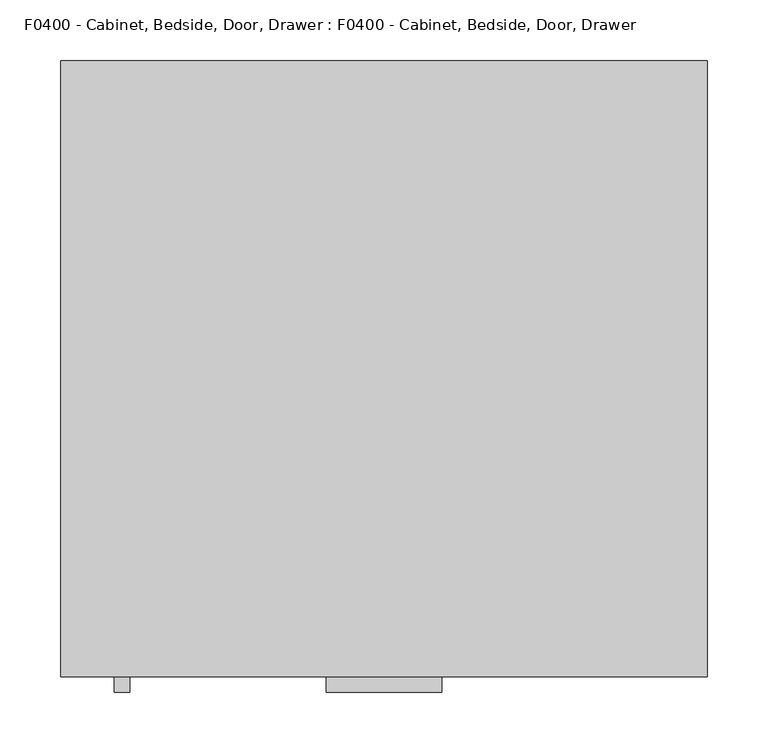
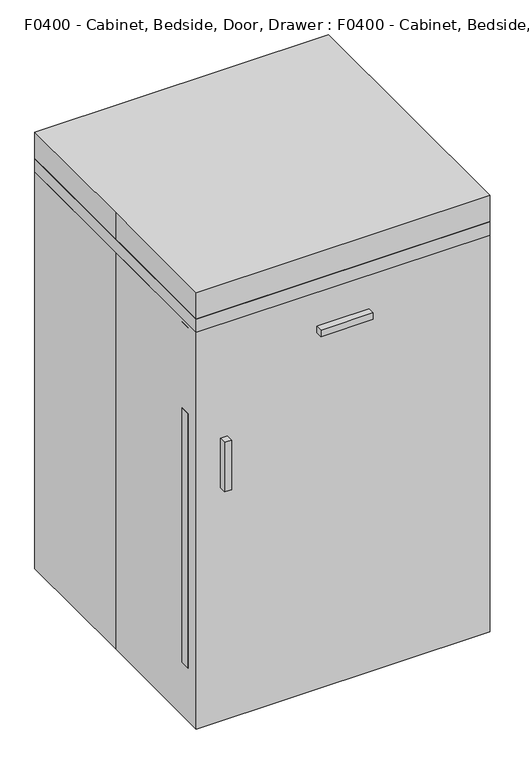
"""IFC4 building model written with IfcOpenShell, lengths in millimetres: proxy geometry, F0400 - Cabinet, Bedside, Door, Drawer : F0400 - Cabinet, Bedside, Door, Drawer."""

import ifcopenshell
import ifcopenshell.guid

model = None  # the IFC model being written
_history = None  # IfcOwnerHistory: only IFC2X3 demands one
_inside = {}  # id of a spatial element -> (the spatial element, [elements in it])
_under = {}  # id of a project, library or spatial element -> (it, [spatial elements below it])
_declared = {}  # id of a project -> (the project, [libraries it declares])
_typed = {}  # id of a type object -> (the type object, [elements of that type])
_made_of = {}  # id of a material, layer set ... -> (it, [elements and type objects made of it])


def new_model(schema):
    """Start an empty IFC model of exactly this schema.

    Asked for "IFC4X3", IfcOpenShell would pick the latest addendum, in which some entities
    have other attributes; the version numbers below select the first issue.
    IFC2X3 requires an IfcOwnerHistory on every rooted entity: one is made here for all.
    """
    global model, _history
    if schema == "IFC4X3":
        model = ifcopenshell.file(schema_version=(4, 3, 0, 0))
    else:
        model = ifcopenshell.file(schema=schema)
    _inside.clear()
    _under.clear()
    _declared.clear()
    _typed.clear()
    _made_of.clear()
    _history = None
    if model.schema == "IFC2X3":
        org = make("IfcOrganization", Name="unknown")
        user = make(
            "IfcPersonAndOrganization",
            ThePerson=make("IfcPerson", FamilyName="unknown"),
            TheOrganization=org,
        )
        app = make(
            "IfcApplication",
            ApplicationDeveloper=org,
            Version="unknown",
            ApplicationFullName="unknown",
            ApplicationIdentifier="unknown",
        )
        _history = make(
            "IfcOwnerHistory",
            OwningUser=user,
            OwningApplication=app,
            ChangeAction="ADDED",
            CreationDate=0,
        )
    return model


def make(cls, **values):
    """One entity of the class cls with the attributes given. An attribute that is None is left unset."""
    return model.create_entity(
        cls, **{name: value for name, value in values.items() if value is not None}
    )


def rooted(cls, **values):
    """An entity with a GlobalId (a new one), such as an element, a storey or a relation."""
    return make(cls, GlobalId=ifcopenshell.guid.new(), OwnerHistory=_history, **values)


def si_unit(unit_type, name, prefix=None):
    """IfcSIUnit, for example si_unit("LENGTHUNIT", "METRE", prefix="MILLI")."""
    return make("IfcSIUnit", UnitType=unit_type, Prefix=prefix, Name=name)


def assignment(units):
    """IfcUnitAssignment: the units of a project."""
    return None if units is None else make("IfcUnitAssignment", Units=units)


def point(xyz):
    """IfcCartesianPoint."""
    return None if xyz is None else make("IfcCartesianPoint", Coordinates=xyz)


def direction(xyz):
    """IfcDirection."""
    return None if xyz is None else make("IfcDirection", DirectionRatios=xyz)


def frame(location, z_axis=None, x_axis=None):
    """IfcAxis2Placement3D, a coordinate frame: its origin and axes. An axis left out is left unset."""
    return make(
        "IfcAxis2Placement3D",
        Location=point(location),
        Axis=direction(z_axis),
        RefDirection=direction(x_axis),
    )


def origin():
    """The frame at (0, 0, 0) with its axes left unset."""
    return frame((0.0, 0.0, 0.0))


def origin_with_axes():
    """The frame at (0, 0, 0) with the z axis (0, 0, 1) and the x axis (1, 0, 0) written out."""
    return frame((0.0, 0.0, 0.0), z_axis=(0.0, 0.0, 1.0), x_axis=(1.0, 0.0, 0.0))


def place(relative_to, where):
    """IfcLocalPlacement: puts the frame where relative to a parent placement (None: the world)."""
    return make(
        "IfcLocalPlacement", PlacementRelTo=relative_to, RelativePlacement=where
    )


def context(
    kind, dimensions, precision=None, world=None, true_north=None, identifier=None
):
    """IfcGeometricRepresentationContext, for example the 3D "Model" context."""
    return make(
        "IfcGeometricRepresentationContext",
        ContextIdentifier=identifier,
        ContextType=kind,
        CoordinateSpaceDimension=dimensions,
        Precision=precision,
        WorldCoordinateSystem=world,
        TrueNorth=true_north,
    )


def project(units=None, contexts=None):
    """IfcProject with its units and contexts."""
    return rooted(
        "IfcProject",
        Name="project",
        RepresentationContexts=contexts,
        UnitsInContext=assignment(units),
    )


def spatial(cls, under=None, at=None, **own):
    """A site, building, storey or space (cls), placed at a placement, below another one or the project."""
    s = rooted(cls, ObjectPlacement=at, **own)
    if under is not None:
        _under.setdefault(under.id(), (under, []))[1].append(s)
    return s


def polyline(points):
    """IfcPolyline through the points."""
    return make("IfcPolyline", Points=[point(p) for p in points])


def outline(outer, holes=None, kind="AREA"):
    """IfcArbitraryClosedProfileDef: a profile drawn as a closed curve; with holes, ...WithVoids."""
    if holes is None:
        return make("IfcArbitraryClosedProfileDef", ProfileType=kind, OuterCurve=outer)
    return make(
        "IfcArbitraryProfileDefWithVoids",
        ProfileType=kind,
        OuterCurve=outer,
        InnerCurves=holes,
    )


def extrude(swept, where, along, depth):
    """IfcExtrudedAreaSolid: the profile swept, set in the frame where, extruded along a direction by depth."""
    return make(
        "IfcExtrudedAreaSolid",
        SweptArea=swept,
        Position=where,
        ExtrudedDirection=direction(along),
        Depth=depth,
    )


def shape(context_of_items, identifier, shape_type, items):
    """IfcShapeRepresentation: the items that make up one representation, for example the "Body"."""
    return make(
        "IfcShapeRepresentation",
        ContextOfItems=context_of_items,
        RepresentationIdentifier=identifier,
        RepresentationType=shape_type,
        Items=items,
    )


def source(mapping_origin, context_of_items, identifier, shape_type, items):
    """IfcRepresentationMap: a shape defined once, which mapped items show again and again."""
    return make(
        "IfcRepresentationMap",
        MappingOrigin=mapping_origin,
        MappedRepresentation=shape(context_of_items, identifier, shape_type, items),
    )


def transform(
    local_origin,
    x_axis=None,
    y_axis=None,
    z_axis=None,
    scale=None,
    scale2=None,
    scale3=None,
    uniform=True,
):
    """IfcCartesianTransformationOperator3D, or its non-uniform kind. x_axis, y_axis, z_axis: its Axis1, 2, 3."""
    if uniform:
        return make(
            "IfcCartesianTransformationOperator3D",
            Axis1=direction(x_axis),
            Axis2=direction(y_axis),
            LocalOrigin=point(local_origin),
            Scale=scale,
            Axis3=direction(z_axis),
        )
    return make(
        "IfcCartesianTransformationOperator3DnonUniform",
        Axis1=direction(x_axis),
        Axis2=direction(y_axis),
        LocalOrigin=point(local_origin),
        Scale=scale,
        Axis3=direction(z_axis),
        Scale2=scale2,
        Scale3=scale3,
    )


def mapped(mapping_source, mapping_target):
    """IfcMappedItem: shows the shape of a source again, moved by a transform."""
    return make(
        "IfcMappedItem", MappingSource=mapping_source, MappingTarget=mapping_target
    )


def made_of(thing, what):
    """Note that an element or type object is made of a material, layer set ...; save() writes the relation."""
    if what is not None:
        _made_of.setdefault(what.id(), (what, []))[1].append(thing)
    return thing


def element(
    cls,
    number,
    at=None,
    inside=None,
    cuts=None,
    type_object=None,
    material=None,
    context=None,
    identifier="Body",
    shape_type=None,
    held_by="IfcProductDefinitionShape",
    body=None,
    shapes=None,
    **own,
):
    """One element of the class cls, such as IfcWall. Its Tag is "e" and its number.

    at: its placement. inside: the storey or other place that contains it. cuts: it is an
    opening in that element (IfcRelVoidsElement). A single representation is given by context,
    identifier, shape_type and body (its items); several are given by shapes. held_by: the class
    of the entity that holds the representations. save() writes the other relations.
    """
    e = rooted(cls, Tag="e%d" % number, ObjectPlacement=at, **own)
    if body is not None:
        shapes = [shape(context, identifier, shape_type, body)]
    if shapes is not None:
        e.Representation = make(held_by, Representations=shapes)
    if inside is not None:
        _inside.setdefault(inside.id(), (inside, []))[1].append(e)
    if cuts is not None:
        rooted(
            "IfcRelVoidsElement", RelatingBuildingElement=cuts, RelatedOpeningElement=e
        )
    if type_object is not None:
        _typed.setdefault(type_object.id(), (type_object, []))[1].append(e)
    return made_of(e, material)


def aggregate(whole, parts):
    """IfcRelAggregates: a whole, such as a stair, and the parts it consists of."""
    return rooted("IfcRelAggregates", RelatingObject=whole, RelatedObjects=parts)


def save(model, path):
    """Write the relations noted so far, then the file.

    IfcRelAggregates (storeys below a building ...), IfcRelContainedInSpatialStructure (elements
    in a storey), IfcRelDefinesByType, IfcRelAssociatesMaterial and IfcRelDeclares: one each for
    every whole, place, type object, material and project.
    """
    for whole, parts in _under.values():
        aggregate(whole, parts)
    for where, things in _inside.values():
        rooted(
            "IfcRelContainedInSpatialStructure",
            RelatedElements=things,
            RelatingStructure=where,
        )
    for kind, things in _typed.values():
        rooted("IfcRelDefinesByType", RelatedObjects=things, RelatingType=kind)
    for what, things in _made_of.values():
        rooted("IfcRelAssociatesMaterial", RelatedObjects=things, RelatingMaterial=what)
    for by, libraries in _declared.values():
        rooted("IfcRelDeclares", RelatingContext=by, RelatedDefinitions=libraries)
    model.write(path)


def f0400_cabinet_bedside_door_drawer_f0400_cabinet_bedside_door_b2a44ca7(model_context):
    return source(origin(), model_context, "Body", "SweptSolid", [
        extrude(outline(polyline([(0.0, -217.1558646), (0.0, -166.3558646), (101.6, -128.2558646), (101.6, -217.1558646), (0.0, -217.1558646)])), frame((0.0, -183.7187948, 0.0), z_axis=(0.0, 1.0, 0.0), x_axis=(0.0, 0.0, 1.0)), (0.0, 0.0, 1.0), 50.8),
        extrude(outline(polyline([(0.0, -217.1558646), (0.0, -166.3558646), (101.6, -128.2558646), (101.6, -217.1558646), (0.0, -217.1558646)])), frame((0.0, 165.5312052, 0.0), z_axis=(0.0, 1.0, 0.0), x_axis=(0.0, 0.0, 1.0)), (0.0, 0.0, 1.0), 50.8),
        extrude(outline(polyline([(0.0, 166.3558646), (0.0, 217.1558646), (101.6, 217.1558646), (101.6, 128.2558646), (0.0, 166.3558646)])), frame((0.0, -183.7187948, 0.0), z_axis=(0.0, 1.0, 0.0), x_axis=(0.0, 0.0, 1.0)), (0.0, 0.0, 1.0), 50.8),
        extrude(outline(polyline([(0.0, 166.3558646), (0.0, 217.1558646), (101.6, 217.1558646), (101.6, 128.2558646), (0.0, 166.3558646)])), frame((0.0, 165.5312052, 0.0), z_axis=(0.0, 1.0, 0.0), x_axis=(0.0, 0.0, 1.0)), (0.0, 0.0, 1.0), 50.8),
        extrude(outline(polyline([(247.65, 234.95), (247.65, -209.55), (-247.65, -209.55), (-247.65, 234.95), (247.65, 234.95)])), frame((0.0, 0.0, 101.6), z_axis=(0.0, 0.0, 1.0), x_axis=(1.0, 0.0, 0.0)), (0.0, 0.0, 1.0), 19.05),
        extrude(outline(polyline([(-266.7159299, 447.6560937), (-266.7159299, 542.9060937), (-228.6159299, 542.9060937), (-228.6159299, 530.2220236), (-254.0318599, 530.2220236), (-254.0318599, 460.3401637), (-228.6159299, 460.3401637), (-228.6159299, 447.6560937), (-266.7159299, 447.6560937)])), frame((-222.5434712, 0.0, 0.0), z_axis=(1.0, 0.0, 0.0), x_axis=(0.0, 1.0, 0.0)), (0.0, 0.0, 1.0), 12.7),
        extrude(outline(polyline([(-47.625, -266.7159299), (-47.625, -228.6159299), (-34.9409299, -228.6159299), (-34.9409299, -254.0318599), (34.9409299, -254.0318599), (34.9409299, -228.6159299), (47.625, -228.6159299), (47.625, -266.7159299), (-47.625, -266.7159299)])), frame((0.0, 0.0, 684.1962383), z_axis=(0.0, 0.0, 1.0), x_axis=(1.0, 0.0, 0.0)), (0.0, 0.0, 1.0), 12.7),
        extrude(outline(polyline([(266.7, 254.0), (266.7, -254.0), (-266.7, -254.0), (-266.7, 254.0), (266.7, 254.0)])), frame((0.0, 0.0, 762.0), z_axis=(0.0, 0.0, 1.0), x_axis=(1.0, 0.0, 0.0)), (0.0, 0.0, 1.0), 25.4),
        extrude(outline(polyline([(266.7, -228.6), (-266.7, -228.6), (-266.7, -209.55), (266.7, -209.55), (266.7, -228.6)])), frame((0.0, 0.0, 101.6), z_axis=(0.0, 0.0, 1.0), x_axis=(1.0, 0.0, 0.0)), (0.0, 0.0, 1.0), 488.95),
        extrude(outline(polyline([(-266.7, 254.0), (266.7, 254.0), (266.7, -254.0), (-266.7, -254.0), (-266.7, 0.0), (-266.7, 254.0)])), origin_with_axes(), (0.0, 0.0, 1.0), 838.2),
        extrude(outline(polyline([(266.7, -228.6), (-266.7, -228.6), (-266.7, -209.55), (266.7, -209.55), (266.7, -228.6)])), frame((0.0, 0.0, 596.9), z_axis=(0.0, 0.0, 1.0), x_axis=(1.0, 0.0, 0.0)), (0.0, 0.0, 1.0), 158.7174767),
        extrude(outline(polyline([(247.65, 234.95), (-247.65, 234.95), (-247.65, 254.0), (247.65, 254.0), (247.65, 234.95)])), frame((0.0, 0.0, 101.6), z_axis=(0.0, 0.0, 1.0), x_axis=(1.0, 0.0, 0.0)), (0.0, 0.0, 1.0), 660.4),
        extrude(outline(polyline([(-266.7, -228.6), (-266.7, 254.0), (-247.65, 254.0), (-247.65, -228.6), (-266.7, -228.6)])), frame((0.0, 0.0, 101.6), z_axis=(0.0, 0.0, 1.0), x_axis=(1.0, 0.0, 0.0)), (0.0, 0.0, 1.0), 660.4),
        extrude(outline(polyline([(247.65, -228.6), (247.65, 254.0), (266.7, 254.0), (266.7, -228.6), (247.65, -228.6)])), frame((0.0, 0.0, 101.6), z_axis=(0.0, 0.0, 1.0), x_axis=(1.0, 0.0, 0.0)), (0.0, 0.0, 1.0), 660.4),
    ])


if __name__ == "__main__":
    model = new_model("IFC4")
    model_context = context("Model", 3, world=origin())
    ifc_project = project(units=[si_unit("LENGTHUNIT", "METRE", prefix="MILLI")], contexts=[model_context])
    site = spatial("IfcSite", under=ifc_project)
    building = spatial("IfcBuilding", under=site)
    placement = place(None, origin())
    f0400_cabinet_bedside_door_drawer_f0400_cabinet_bedside_door_shape = f0400_cabinet_bedside_door_drawer_f0400_cabinet_bedside_door_b2a44ca7(model_context)
    element("IfcBuildingElementProxy", 1, Name="F0400 - Cabinet, Bedside, Door, Drawer : F0400 - Cabinet, Bedside, Door, Drawer", ObjectType="F0400 - Cabinet, Bedside, Door, Drawer : F0400 - Cabinet, Bedside, Door, Drawer", at=placement, inside=building, context=model_context, shape_type="MappedRepresentation", body=[
        mapped(f0400_cabinet_bedside_door_drawer_f0400_cabinet_bedside_door_shape, transform((0.0, 0.0, 0.0), x_axis=(1.0, 0.0, 0.0), y_axis=(0.0, 1.0, 0.0), z_axis=(0.0, 0.0, 1.0))),
    ])
    save(model, "model.ifc")
